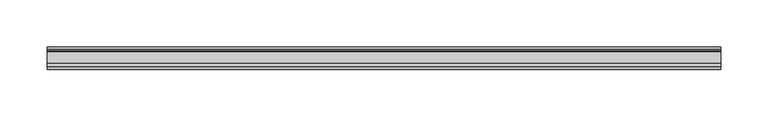
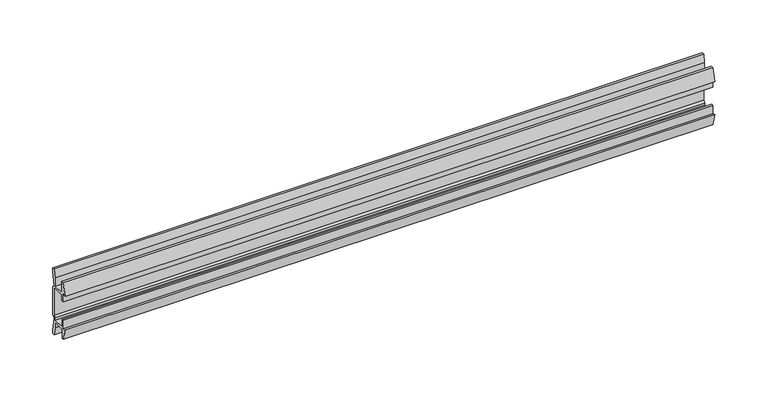
"""IFC4 building model written with IfcOpenShell, lengths in millimetres: furniture geometry."""

from ifc_helpers import new_model, si_unit, point, frame, frame_2d, origin, place, context, project, spatial, polyline, circle_curve, trimmed, segment, composite_curve, outline, extrude, source, transform, mapped, element, save


def furniture_f29558ef(model_context):
    return source(origin(), model_context, "Body", "SweptSolid", [
        extrude(outline(composite_curve([segment(polyline([(11.858323, 875.8595986), (10.7166987, 869.9001626)]), True, "CONTINUOUS"), segment(trimmed(circle_curve(frame_2d((88.1501042, 855.066568)), 78.8414093), [point((10.7166987, 869.9001626))], [point((9.4546262, 859.8613112))], True, "CARTESIAN"), True, "CONTINUOUS"), segment(polyline([(9.4546262, 859.8613112), (11.4773198, 857.8386177), (11.4773198, 824.9113823), (9.4546262, 822.8886888)]), True, "CONTINUOUS"), segment(trimmed(circle_curve(frame_2d((88.1501042, 827.683432)), 78.8414093), [point((9.4546262, 822.8886888))], [point((10.7166987, 812.8498374))], True, "CARTESIAN"), True, "CONTINUOUS"), segment(polyline([(10.7166987, 812.8498374), (11.858323, 806.8904014), (11.858323, 803.2756449), (9.3183016, 803.2756449), (7.5671861, 812.416709), (6.9977776, 819.1104675), (-5.9218281, 819.1104675), (-5.9218281, 808.5455449), (-8.4618484, 808.5455449), (-11.7914971, 822.0540462), (-8.4618484, 821.0551511), (-8.4618484, 830.5802306), (-5.9218281, 830.5802306), (-5.9218281, 821.690155), (6.7782802, 821.690155), (6.7782802, 824.244689), (8.8976323, 826.0870136), (8.8976323, 856.6660348), (6.7782802, 858.5204685), (-5.2868484, 858.5204685), (-5.2868484, 852.1704144), (-8.4618484, 852.1704144), (-8.4618484, 861.6954939), (-11.858323, 860.4254837), (-8.4618484, 874.2051), (-5.2868484, 874.2051), (-5.2868484, 861.0604899), (6.7782802, 861.0604899), (7.5671861, 870.3345809), (9.3183016, 879.4756449), (11.858323, 879.4756449), (11.858323, 875.8595986)]), True, "CONTINUOUS")], self_intersect=False)), frame((-355.6, 0.0, 0.0), z_axis=(1.0, 0.0, 0.0), x_axis=(0.0, 1.0, 0.0)), (0.0, 0.0, 1.0), 711.2),
    ])


if __name__ == "__main__":
    model = new_model("IFC4")
    model_context = context("Model", 3, world=origin())
    ifc_project = project(units=[si_unit("LENGTHUNIT", "METRE", prefix="MILLI")], contexts=[model_context])
    site = spatial("IfcSite", under=ifc_project)
    building = spatial("IfcBuilding", under=site)
    placement = place(None, origin())
    furniture_shape = furniture_f29558ef(model_context)
    element("IfcFurniture", 1, at=placement, inside=building, context=model_context, shape_type="MappedRepresentation", body=[
        mapped(furniture_shape, transform((0.0, 0.0, 0.0), x_axis=(1.0, 0.0, 0.0), y_axis=(0.0, 1.0, 0.0), z_axis=(0.0, 0.0, 1.0))),
    ])
    save(model, "model.ifc")
